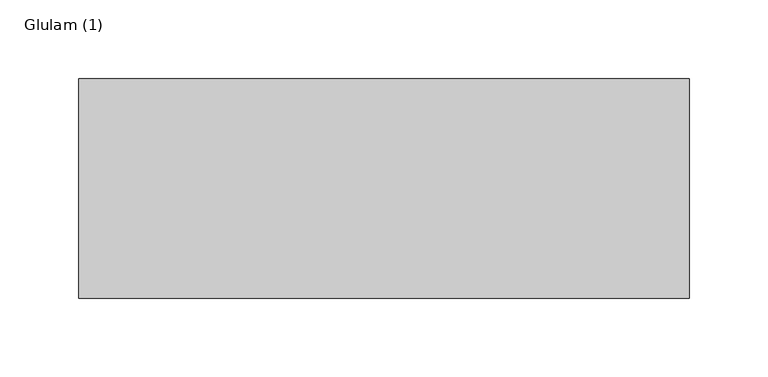
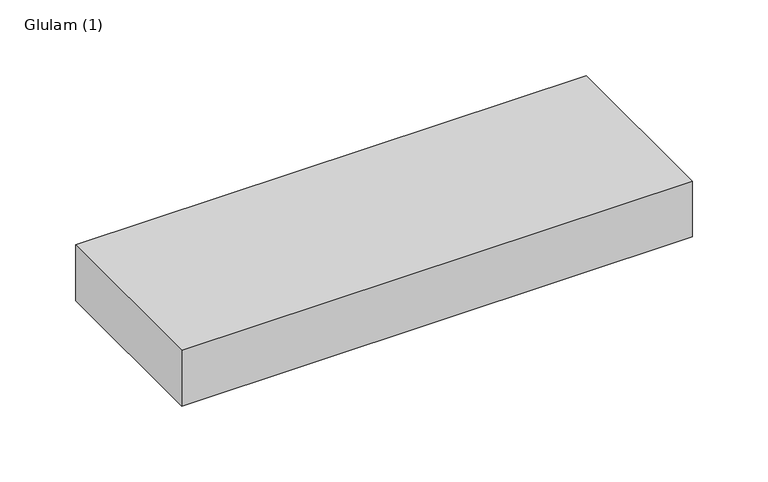
"""IFC4 building model written with IfcOpenShell, lengths in millimetres: beam geometry, Glulam (1)."""

from ifc_helpers import new_model, si_unit, frame, origin, place, context, project, spatial, polyline, outline, extrude, source, transform, mapped, element, save


def glulam_1_0c3103f2(model_context):
    return source(origin(), model_context, "Body", "SweptSolid", [
        extrude(outline(polyline([(187.5, 70.0), (187.5, -70.0), (-201.5, -70.0), (-201.5, 70.0), (187.5, 70.0)])), frame((0.0, 0.0, -22.5), z_axis=(0.0, 0.0, 1.0), x_axis=(1.0, 0.0, 0.0)), (0.0, 0.0, 1.0), 45.0),
    ])


if __name__ == "__main__":
    model = new_model("IFC4")
    model_context = context("Model", 3, world=origin())
    ifc_project = project(units=[si_unit("LENGTHUNIT", "METRE", prefix="MILLI")], contexts=[model_context])
    site = spatial("IfcSite", under=ifc_project)
    building = spatial("IfcBuilding", under=site)
    placement = place(None, origin())
    glulam_1_shape = glulam_1_0c3103f2(model_context)
    element("IfcBeam", 1, ObjectType="Glulam (1)", at=placement, inside=building, context=model_context, shape_type="MappedRepresentation", body=[
        mapped(glulam_1_shape, transform((0.0, 0.0, 0.0), x_axis=(1.0, 0.0, 0.0), y_axis=(0.0, 1.0, 0.0), z_axis=(0.0, 0.0, 1.0))),
    ])
    save(model, "model.ifc")
